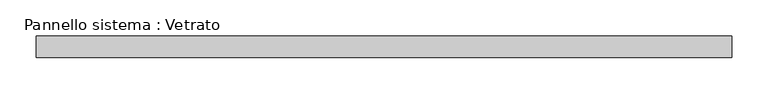
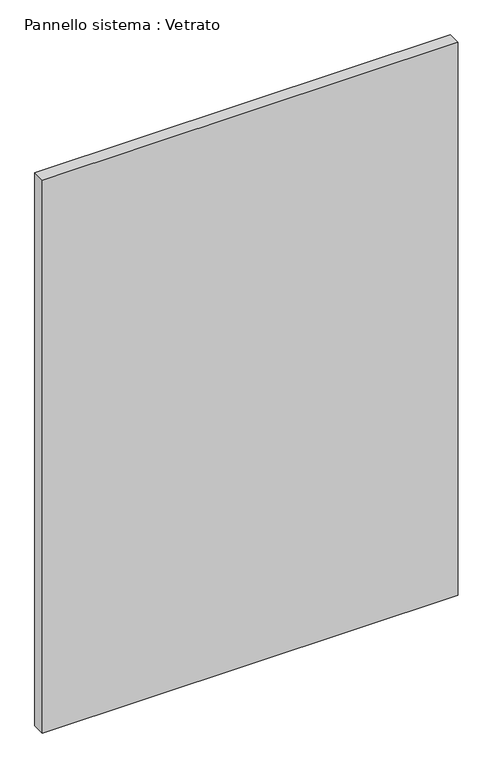
"""IFC4 building model written with IfcOpenShell, lengths in millimetres: plate geometry, Pannello sistema : Vetrato."""

from ifc_helpers import new_model, si_unit, origin, origin_with_axes, place, context, project, spatial, polyline, outline, extrude, source, transform, mapped, element, save


def pannello_sistema_vetrato_bb9bcfcd(model_context):
    return source(origin(), model_context, "Body", "SweptSolid", [
        extrude(outline(polyline([(480.0000002, -15.0), (-480.0000002, -15.0), (-480.0000002, 15.0), (480.0000002, 15.0), (480.0000002, -15.0)])), origin_with_axes(), (0.0, 0.0, 1.0), 1350.0),
    ])


if __name__ == "__main__":
    model = new_model("IFC4")
    model_context = context("Model", 3, world=origin())
    ifc_project = project(units=[si_unit("LENGTHUNIT", "METRE", prefix="MILLI")], contexts=[model_context])
    site = spatial("IfcSite", under=ifc_project)
    building = spatial("IfcBuilding", under=site)
    placement = place(None, origin())
    pannello_sistema_vetrato_shape = pannello_sistema_vetrato_bb9bcfcd(model_context)
    element("IfcPlate", 1, ObjectType="Pannello sistema : Vetrato", at=placement, inside=building, context=model_context, shape_type="MappedRepresentation", body=[
        mapped(pannello_sistema_vetrato_shape, transform((0.0, 0.0, 0.0), x_axis=(1.0, 0.0, 0.0), y_axis=(0.0, 1.0, 0.0), z_axis=(0.0, 0.0, 1.0))),
    ])
    save(model, "model.ifc")
